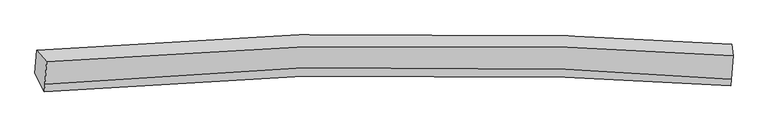
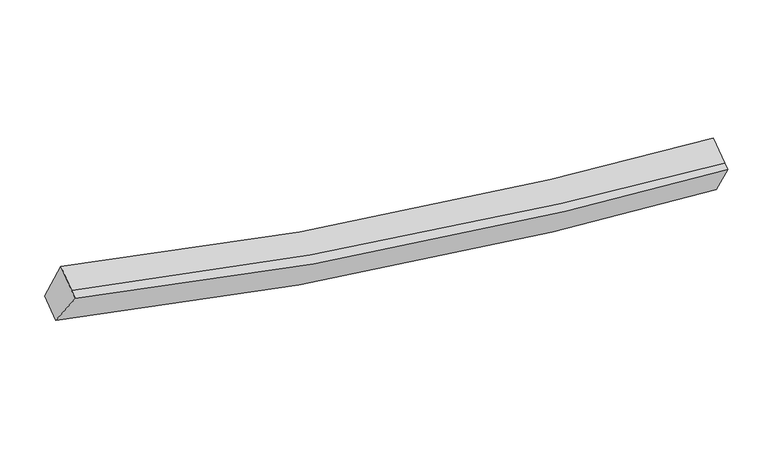
"""IFC4 building model written with IfcOpenShell, lengths in millimetres: proxy geometry."""

from ifc_helpers import new_model, si_unit, frame, origin, place, context, project, spatial, source, transform, mapped, element, save
from ifc_brep_helpers import plane_surface, spline_curve, spline_surface, advanced_brep


def generic_models_9f0bc75b(model_context):
    return source(origin(), model_context, "Body", "AdvancedBrep", [
        advanced_brep(
        [(-7077.9029251, -1830.9906775, 4123.5766242), (-6894.3905698, -2044.6655264, 4781.1138382), (5707.0300422, -1934.5043302, 2920.8778219), (5681.0221655, -1718.8777338, 2239.3224869), (-6924.1026298, -2450.0132497, 4553.33087), (5675.4884758, -2364.8111531, 2679.0692222), (-6934.3061065, -2589.2145051, 4475.1074748), (5667.1981509, -2477.9121731, 2615.5127136), (-7108.4266995, -2247.4122405, 3889.5707715), (5650.5820366, -2134.158161, 2005.9578892)],
        [
            (0, 1),
            (1, 2, spline_curve(3, [(-6894.3905698, -2044.6655264, 4781.1138382), (-3749.711828357, -1759.997228733, 3852.883035399), (-563.284837887, -1670.855401928, 3271.924167135), (3674.850625827, -1810.52332718, 2965.126423271), (4688.897173095, -1862.944754809, 2926.006619237), (5707.0300422, -1934.5043302, 2920.8778219)], [4, 2, 4], [0.0, 32.137409087630765, 42.19185239330599])),
            (2, 3),
            (3, 0, spline_curve(3, [(5681.0221655, -1718.8777338, 2239.3224869), (4656.319391678, -1646.896471371, 2244.557857314), (3634.287096931, -1594.190791342, 2284.213486649), (-643.300626255, -1453.90676941, 2595.061026716), (-3874.243361952, -1543.983430983, 3183.490109438), (-7077.9029251, -1830.9906775, 4123.5766242)], [4, 2, 4], [0.0, 10.054443305675228, 42.19185239330599])),
            (1, 4),
            (4, 5, spline_curve(3, [(-6924.1026298, -2450.0132497, 4553.33087), (-3777.822155065, -2143.493264223, 3637.379505281), (-591.367283781, -2053.971059222, 3056.634388828), (3644.738542789, -2221.328379592, 2734.276738245), (4658.147372497, -2282.449885702, 2690.267972449), (5675.4884758, -2364.8111531, 2679.0692222)], [4, 2, 4], [0.0, 31.93839690314561, 41.93057766859587])),
            (5, 2),
            (4, 6),
            (6, 7, spline_curve(3, [(-6934.3061065, -2589.2145051, 4475.1074748), (-3789.578245075, -2303.876094776, 3547.253237359), (-603.123373578, -2214.353890097, 2966.508120503), (3635.020813409, -2353.90281112, 2659.777251432), (4649.067360349, -2406.324238856, 2620.657447187), (5667.1981509, -2477.9121731, 2615.5127136)], [4, 2, 4], [0.0, 31.93839601106644, 41.93057649742266])),
            (7, 5),
            (6, 8),
            (8, 9, spline_curve(3, [(-7108.4266995, -2247.4122405, 3889.5707715), (-3904.718017394, -1959.734881489, 2949.86082287), (-673.747400085, -1869.277841622, 2361.645491593), (3603.849046819, -2009.442859662, 2050.864825257), (4625.881341617, -2062.148539383, 2011.209195701), (5650.5820366, -2134.158161, 2005.9578892)], [4, 2, 4], [0.0, 32.13740577927708, 42.19184804990762])),
            (9, 7),
            (8, 0),
            (3, 9),
        ],
        [
            spline_surface(3, 3, [[(-7077.9029251, -1830.9906775, 4123.5766242), (-3874.243362018, -1543.983430775, 3183.490109517), (-643.300626474, -1453.90676949, 2595.061026578), (3634.287097, -1594.190791317, 2284.213486692), (4656.319391625, -1646.896471368, 2244.55785721), (5681.0221655, -1718.8777338, 2239.3224869)], [(-7016.732139999, -1902.215627144, 4342.755695529), (-3832.732850634, -1615.988029945, 3406.621084712), (-616.628696889, -1526.222980279, 2820.682073344), (3647.808273264, -1666.301636616, 2511.184465546), (4667.178652063, -1718.912565873, 2471.707444607), (5689.691457726, -1790.753265921, 2466.507598571)], [(-6955.561354901, -1973.440576756, 4561.934766871), (-3791.222339254, -1687.992629081, 3629.75205992), (-589.956767318, -1598.539191059, 3046.303120184), (3661.329449515, -1738.412481905, 2738.155444474), (4678.037912524, -1790.928660415, 2698.85703199), (5698.360749974, -1862.628798079, 2693.692710229)], [(-6894.3905698, -2044.6655264, 4781.1138382), (-3749.71182787, -1759.997228251, 3852.883035115), (-563.284837732, -1670.855401849, 3271.92416695), (3674.850625779, -1810.523327204, 2965.126423328), (4688.897172962, -1862.94475492, 2926.006619387), (5707.0300422, -1934.5043302, 2920.8778219)]], [4, 4], [4, 2, 4], [0.0, 2.3434013003975074], [0.0, 32.137409087630765, 42.19185239330599]),
            spline_surface(3, 3, [[(-6894.3905698, -2044.6655264, 4781.1138382), (-3749.71182787, -1759.997228251, 3852.883035115), (-563.284837732, -1670.855401849, 3271.92416695), (3674.850625779, -1810.523327204, 2965.126423328), (4688.897172962, -1862.94475492, 2926.006619387), (5707.0300422, -1934.5043302, 2920.8778219)], [(-6904.294589805, -2179.781434154, 4705.186182132), (-3759.081937012, -1887.829240091, 3781.048525095), (-572.645652935, -1798.56062083, 3200.160907494), (3664.813264709, -1947.458344683, 2888.176528356), (4678.64723946, -2002.779798554, 2847.427070349), (5696.516186718, -2077.939937842, 2840.274955325)], [(-6914.198609795, -2314.897341946, 4629.258526068), (-3768.45204614, -2015.661251968, 3709.214015078), (-582.006468076, -1926.265839876, 3128.397647969), (3654.775903702, -2084.393362227, 2811.226633316), (4668.397306005, -2142.614842161, 2768.847521337), (5686.002331282, -2221.375545458, 2759.672088775)], [(-6924.1026298, -2450.0132497, 4553.33087), (-3777.822155282, -2143.493263808, 3637.379505059), (-591.367283279, -2053.971058858, 3056.634388513), (3644.738542631, -2221.328379706, 2734.276738344), (4658.147372503, -2282.449885794, 2690.267972299), (5675.4884758, -2364.8111531, 2679.0692222)]], [4, 4], [4, 2, 4], [0.0, 1.4709772341937595], [0.0, 31.93839690314561, 41.93057766859587]),
            spline_surface(3, 3, [[(-6924.1026298, -2450.0132497, 4553.33087), (-3777.822155282, -2143.493263808, 3637.379505059), (-591.367283279, -2053.971058858, 3056.634388513), (3644.738542631, -2221.328379706, 2734.276738344), (4658.147372503, -2282.449885794, 2690.267972299), (5675.4884758, -2364.8111531, 2679.0692222)], [(-6927.503788704, -2496.413668174, 4527.256404944), (-3781.740851944, -2196.954207593, 3607.337415861), (-595.285979941, -2107.432002642, 3026.592299315), (3641.499299519, -2265.519856842, 2709.443575966), (4655.120701822, -2323.741336775, 2667.064463987), (5672.72503419, -2402.51149311, 2657.883719342)], [(-6930.904947596, -2542.814086626, 4501.181939856), (-3785.659548593, -2250.415151355, 3577.295326633), (-599.20467659, -2160.892946405, 2996.550210187), (3638.26005642, -2309.711333955, 2684.610413657), (4652.094031071, -2365.032787726, 2643.86095565), (5669.96159251, -2440.21183309, 2636.698216458)], [(-6934.3061065, -2589.2145051, 4475.1074748), (-3789.578245255, -2303.87609514, 3547.253237436), (-603.123373252, -2214.353890189, 2966.50812099), (3635.020813307, -2353.902811091, 2659.777251279), (4649.06736039, -2406.324238707, 2620.657447338), (5667.1981509, -2477.9121731, 2615.5127136)]], [4, 4], [4, 2, 4], [0.0, 0.5789781573835739], [0.0, 31.93839601106644, 41.93057649742266]),
            spline_surface(3, 3, [[(-6934.3061065, -2589.2145051, 4475.1074748), (-3789.578245255, -2303.87609514, 3547.253237436), (-603.123373252, -2214.353890189, 2966.50812099), (3635.020813307, -2353.902811091, 2659.777251279), (4649.06736039, -2406.324238707, 2620.657447338), (5667.1981509, -2477.9121731, 2615.5127136)], [(-6992.346304168, -2475.280416878, 4279.928573686), (-3827.958169206, -2189.162357393, 3348.122432455), (-626.664715404, -2099.328540822, 2764.887244439), (3624.630224476, -2239.082827214, 2456.80644264), (4641.338687385, -2291.599005625, 2417.508030156), (5661.659446108, -2363.327502402, 2412.327772144)], [(-7050.386501832, -2361.346328722, 4084.749672614), (-3866.338093153, -2074.448619711, 3148.991627518), (-650.206057641, -1984.303191497, 2563.266367869), (3614.239635559, -2124.26284338, 2253.835633982), (4633.610014458, -2176.873772537, 2214.358612943), (5656.120741392, -2248.742831698, 2209.142830656)], [(-7108.4266995, -2247.4122405, 3889.5707715), (-3904.718017103, -1959.734881963, 2949.860822538), (-673.747399793, -1869.27784213, 2361.645491317), (3603.849046728, -2009.442859503, 2050.864825343), (4625.881341453, -2062.148539454, 2011.209195761), (5650.5820366, -2134.158161, 2005.9578892)]], [4, 4], [4, 2, 4], [0.0, 2.2930486549334743], [0.0, 32.13740577927708, 42.19184804990762]),
            spline_surface(3, 3, [[(-7108.4266995, -2247.4122405, 3889.5707715), (-3904.718017103, -1959.734881963, 2949.860822538), (-673.747399793, -1869.27784213, 2361.645491317), (3603.849046728, -2009.442859503, 2050.864825343), (4625.881341453, -2062.148539454, 2011.209195761), (5650.5820366, -2134.158161, 2005.9578892)], [(-7098.252108024, -2108.605052849, 3967.572722409), (-3894.559798732, -1821.151064916, 3027.73725154), (-663.598475362, -1730.820817942, 2439.450669756), (3613.995063477, -1871.025503466, 2128.647712478), (4636.027358202, -1923.731183417, 2088.992082896), (5660.728746259, -1995.731351925, 2083.746088419)], [(-7088.077516576, -1969.797865151, 4045.574673291), (-3884.401580389, -1682.567247822, 3105.613680515), (-653.449550906, -1592.363793679, 2517.255848139), (3624.14108025, -1732.608147354, 2206.430599557), (4646.173374875, -1785.313827405, 2166.774970075), (5670.875455841, -1857.304542875, 2161.534287681)], [(-7077.9029251, -1830.9906775, 4123.5766242), (-3874.243362018, -1543.983430775, 3183.490109517), (-643.300626474, -1453.90676949, 2595.061026578), (3634.287097, -1594.190791317, 2284.213486692), (4656.319391625, -1646.896471368, 2244.55785721), (5681.0221655, -1718.8777338, 2239.3224869)]], [4, 4], [4, 2, 4], [0.0, 1.5667809708838916], [0.0, 32.336531694985936, 42.45327208755674]),
            plane_surface(frame((5676.4580988, -2066.3630995, 2445.4177279), z_axis=(0.9976821672324694, -0.04392687120419424, -0.05196848249211525), x_axis=(-0.023737306253446385, 0.4910771601346603, -0.870792606242099))),
            plane_surface(frame((-7003.7565753, -2178.0707374, 4317.3421772), z_axis=(-0.9664676591055967, -0.06826601639521909, 0.24754800526054696), x_axis=(-0.0637717294586438, -0.870007846390066, -0.48889621980699854))),
        ],
        [
            (0, [[1, 2, 3, 4]]),
            (1, [[5, 6, 7, -2]]),
            (2, [[8, 9, 10, -6]]),
            (3, [[11, 12, 13, -9]]),
            (4, [[14, -4, 15, -12]]),
            (5, [[-13, -15, -3, -7, -10]]),
            (6, [[-14, -11, -8, -5, -1]]),
        ],
    ),
    ])


if __name__ == "__main__":
    model = new_model("IFC4")
    model_context = context("Model", 3, world=origin())
    ifc_project = project(units=[si_unit("LENGTHUNIT", "METRE", prefix="MILLI")], contexts=[model_context])
    site = spatial("IfcSite", under=ifc_project)
    building = spatial("IfcBuilding", under=site)
    placement = place(None, origin())
    generic_models_shape = generic_models_9f0bc75b(model_context)
    element("IfcBuildingElementProxy", 1, Name="Generic Models", at=placement, inside=building, context=model_context, shape_type="MappedRepresentation", body=[
        mapped(generic_models_shape, transform((0.0, 0.0, 0.0), x_axis=(1.0, 0.0, 0.0), y_axis=(0.0, 1.0, 0.0), z_axis=(0.0, 0.0, 1.0))),
    ])
    save(model, "model.ifc")
